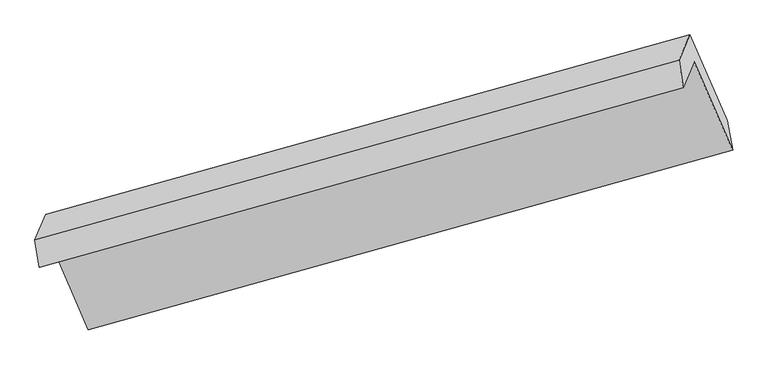
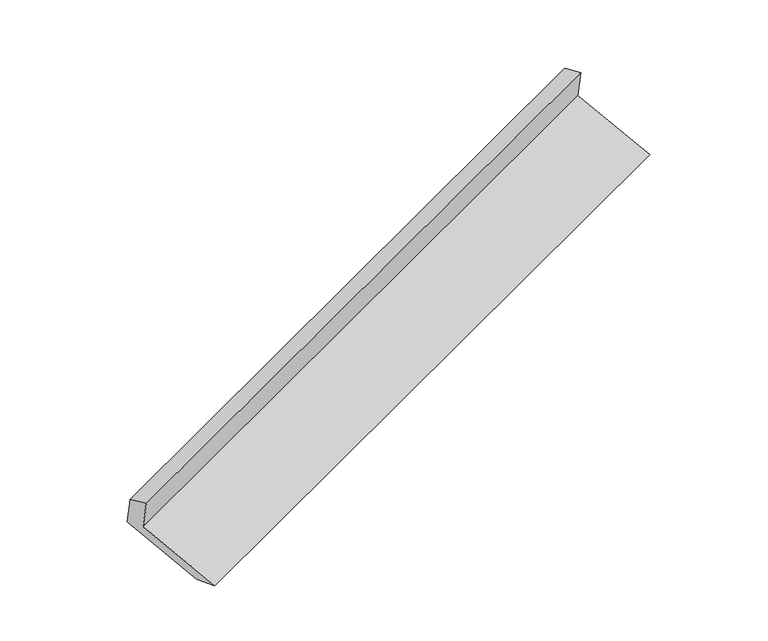
"""IFC4 building model written with IfcOpenShell, lengths in millimetres: proxy geometry."""

import ifcopenshell
import ifcopenshell.guid

model = None  # the IFC model being written
_history = None  # IfcOwnerHistory: only IFC2X3 demands one
_inside = {}  # id of a spatial element -> (the spatial element, [elements in it])
_under = {}  # id of a project, library or spatial element -> (it, [spatial elements below it])
_declared = {}  # id of a project -> (the project, [libraries it declares])
_typed = {}  # id of a type object -> (the type object, [elements of that type])
_made_of = {}  # id of a material, layer set ... -> (it, [elements and type objects made of it])


def new_model(schema):
    """Start an empty IFC model of exactly this schema.

    Asked for "IFC4X3", IfcOpenShell would pick the latest addendum, in which some entities
    have other attributes; the version numbers below select the first issue.
    IFC2X3 requires an IfcOwnerHistory on every rooted entity: one is made here for all.
    """
    global model, _history
    if schema == "IFC4X3":
        model = ifcopenshell.file(schema_version=(4, 3, 0, 0))
    else:
        model = ifcopenshell.file(schema=schema)
    _inside.clear()
    _under.clear()
    _declared.clear()
    _typed.clear()
    _made_of.clear()
    _history = None
    if model.schema == "IFC2X3":
        org = make("IfcOrganization", Name="unknown")
        user = make(
            "IfcPersonAndOrganization",
            ThePerson=make("IfcPerson", FamilyName="unknown"),
            TheOrganization=org,
        )
        app = make(
            "IfcApplication",
            ApplicationDeveloper=org,
            Version="unknown",
            ApplicationFullName="unknown",
            ApplicationIdentifier="unknown",
        )
        _history = make(
            "IfcOwnerHistory",
            OwningUser=user,
            OwningApplication=app,
            ChangeAction="ADDED",
            CreationDate=0,
        )
    return model


def make(cls, **values):
    """One entity of the class cls with the attributes given. An attribute that is None is left unset."""
    return model.create_entity(
        cls, **{name: value for name, value in values.items() if value is not None}
    )


def rooted(cls, **values):
    """An entity with a GlobalId (a new one), such as an element, a storey or a relation."""
    return make(cls, GlobalId=ifcopenshell.guid.new(), OwnerHistory=_history, **values)


def si_unit(unit_type, name, prefix=None):
    """IfcSIUnit, for example si_unit("LENGTHUNIT", "METRE", prefix="MILLI")."""
    return make("IfcSIUnit", UnitType=unit_type, Prefix=prefix, Name=name)


def assignment(units):
    """IfcUnitAssignment: the units of a project."""
    return None if units is None else make("IfcUnitAssignment", Units=units)


def point(xyz):
    """IfcCartesianPoint."""
    return None if xyz is None else make("IfcCartesianPoint", Coordinates=xyz)


def direction(xyz):
    """IfcDirection."""
    return None if xyz is None else make("IfcDirection", DirectionRatios=xyz)


def frame(location, z_axis=None, x_axis=None):
    """IfcAxis2Placement3D, a coordinate frame: its origin and axes. An axis left out is left unset."""
    return make(
        "IfcAxis2Placement3D",
        Location=point(location),
        Axis=direction(z_axis),
        RefDirection=direction(x_axis),
    )


def origin():
    """The frame at (0, 0, 0) with its axes left unset."""
    return frame((0.0, 0.0, 0.0))


def place(relative_to, where):
    """IfcLocalPlacement: puts the frame where relative to a parent placement (None: the world)."""
    return make(
        "IfcLocalPlacement", PlacementRelTo=relative_to, RelativePlacement=where
    )


def context(
    kind, dimensions, precision=None, world=None, true_north=None, identifier=None
):
    """IfcGeometricRepresentationContext, for example the 3D "Model" context."""
    return make(
        "IfcGeometricRepresentationContext",
        ContextIdentifier=identifier,
        ContextType=kind,
        CoordinateSpaceDimension=dimensions,
        Precision=precision,
        WorldCoordinateSystem=world,
        TrueNorth=true_north,
    )


def project(units=None, contexts=None):
    """IfcProject with its units and contexts."""
    return rooted(
        "IfcProject",
        Name="project",
        RepresentationContexts=contexts,
        UnitsInContext=assignment(units),
    )


def spatial(cls, under=None, at=None, **own):
    """A site, building, storey or space (cls), placed at a placement, below another one or the project."""
    s = rooted(cls, ObjectPlacement=at, **own)
    if under is not None:
        _under.setdefault(under.id(), (under, []))[1].append(s)
    return s


def faces_of(points, faces, orient=None, outer=None):
    """IfcFace entities. A face is a list of loops; a loop is a list of indices into points, from 0.

    orient and outer hold one flag for each loop. By default every Orientation is true, the
    first loop of a face is its IfcFaceOuterBound and the others are IfcFaceBound.
    """
    made = []
    for i, loops in enumerate(faces):
        bounds = []
        for j, loop in enumerate(loops):
            is_outer = j == 0 if outer is None else outer[i][j]
            bounds.append(
                make(
                    "IfcFaceOuterBound" if is_outer else "IfcFaceBound",
                    Bound=make("IfcPolyLoop", Polygon=[points[k] for k in loop]),
                    Orientation=True if orient is None else orient[i][j],
                )
            )
        made.append(make("IfcFace", Bounds=bounds))
    return made


def faceted_brep(points, faces, orient=None, outer=None, voids=None):
    """IfcFacetedBrep: a solid bounded by flat faces; with voids (closed shells), ...WithVoids."""
    shared = [point(p) for p in points]
    hull = make("IfcClosedShell", CfsFaces=faces_of(shared, faces, orient, outer))
    if voids is None:
        return make("IfcFacetedBrep", Outer=hull)
    return make(
        "IfcFacetedBrepWithVoids",
        Outer=hull,
        Voids=[
            make(cls, CfsFaces=faces_of(shared, fs, o, b)) for cls, fs, o, b in voids
        ],
    )


def shape(context_of_items, identifier, shape_type, items):
    """IfcShapeRepresentation: the items that make up one representation, for example the "Body"."""
    return make(
        "IfcShapeRepresentation",
        ContextOfItems=context_of_items,
        RepresentationIdentifier=identifier,
        RepresentationType=shape_type,
        Items=items,
    )


def source(mapping_origin, context_of_items, identifier, shape_type, items):
    """IfcRepresentationMap: a shape defined once, which mapped items show again and again."""
    return make(
        "IfcRepresentationMap",
        MappingOrigin=mapping_origin,
        MappedRepresentation=shape(context_of_items, identifier, shape_type, items),
    )


def transform(
    local_origin,
    x_axis=None,
    y_axis=None,
    z_axis=None,
    scale=None,
    scale2=None,
    scale3=None,
    uniform=True,
):
    """IfcCartesianTransformationOperator3D, or its non-uniform kind. x_axis, y_axis, z_axis: its Axis1, 2, 3."""
    if uniform:
        return make(
            "IfcCartesianTransformationOperator3D",
            Axis1=direction(x_axis),
            Axis2=direction(y_axis),
            LocalOrigin=point(local_origin),
            Scale=scale,
            Axis3=direction(z_axis),
        )
    return make(
        "IfcCartesianTransformationOperator3DnonUniform",
        Axis1=direction(x_axis),
        Axis2=direction(y_axis),
        LocalOrigin=point(local_origin),
        Scale=scale,
        Axis3=direction(z_axis),
        Scale2=scale2,
        Scale3=scale3,
    )


def mapped(mapping_source, mapping_target):
    """IfcMappedItem: shows the shape of a source again, moved by a transform."""
    return make(
        "IfcMappedItem", MappingSource=mapping_source, MappingTarget=mapping_target
    )


def made_of(thing, what):
    """Note that an element or type object is made of a material, layer set ...; save() writes the relation."""
    if what is not None:
        _made_of.setdefault(what.id(), (what, []))[1].append(thing)
    return thing


def element(
    cls,
    number,
    at=None,
    inside=None,
    cuts=None,
    type_object=None,
    material=None,
    context=None,
    identifier="Body",
    shape_type=None,
    held_by="IfcProductDefinitionShape",
    body=None,
    shapes=None,
    **own,
):
    """One element of the class cls, such as IfcWall. Its Tag is "e" and its number.

    at: its placement. inside: the storey or other place that contains it. cuts: it is an
    opening in that element (IfcRelVoidsElement). A single representation is given by context,
    identifier, shape_type and body (its items); several are given by shapes. held_by: the class
    of the entity that holds the representations. save() writes the other relations.
    """
    e = rooted(cls, Tag="e%d" % number, ObjectPlacement=at, **own)
    if body is not None:
        shapes = [shape(context, identifier, shape_type, body)]
    if shapes is not None:
        e.Representation = make(held_by, Representations=shapes)
    if inside is not None:
        _inside.setdefault(inside.id(), (inside, []))[1].append(e)
    if cuts is not None:
        rooted(
            "IfcRelVoidsElement", RelatingBuildingElement=cuts, RelatedOpeningElement=e
        )
    if type_object is not None:
        _typed.setdefault(type_object.id(), (type_object, []))[1].append(e)
    return made_of(e, material)


def aggregate(whole, parts):
    """IfcRelAggregates: a whole, such as a stair, and the parts it consists of."""
    return rooted("IfcRelAggregates", RelatingObject=whole, RelatedObjects=parts)


def save(model, path):
    """Write the relations noted so far, then the file.

    IfcRelAggregates (storeys below a building ...), IfcRelContainedInSpatialStructure (elements
    in a storey), IfcRelDefinesByType, IfcRelAssociatesMaterial and IfcRelDeclares: one each for
    every whole, place, type object, material and project.
    """
    for whole, parts in _under.values():
        aggregate(whole, parts)
    for where, things in _inside.values():
        rooted(
            "IfcRelContainedInSpatialStructure",
            RelatedElements=things,
            RelatingStructure=where,
        )
    for kind, things in _typed.values():
        rooted("IfcRelDefinesByType", RelatedObjects=things, RelatingType=kind)
    for what, things in _made_of.values():
        rooted("IfcRelAssociatesMaterial", RelatedObjects=things, RelatingMaterial=what)
    for by, libraries in _declared.values():
        rooted("IfcRelDeclares", RelatingContext=by, RelatedDefinitions=libraries)
    model.write(path)


def generic_models_28df8876(model_context):
    return source(origin(), model_context, "Body", "Brep", [
        faceted_brep([(-5144.921996, -2123.1817459, 1484.9888153), (-5071.0935798, -1947.3629649, 1146.690558), (-742.3600884, -738.70539, 2708.0489734), (-816.1885046, -914.524171, 3046.3472307), (-5172.6812756, -1938.413697, 1418.8662902), (-843.9477843, -729.7561221, 2980.2247056), (-5100.7539838, -1767.1223511, 1089.2794082), (-772.0204924, -558.4647761, 2650.6378236), (-4849.9807014, -2343.4421346, 844.4846279), (-521.24721, -1134.7845596, 2405.8430433), (-4812.8845187, -2540.7714365, 894.63727), (-484.1510273, -1332.1138615, 2455.9956854)], [[[0, 1, 2, 3]], [[4, 0, 3, 5]], [[6, 4, 5, 7]], [[8, 6, 7, 9]], [[10, 8, 9, 11]], [[1, 10, 11, 2]], [[9, 7, 5, 3, 2, 11]], [[1, 0, 4, 6, 8, 10]]]),
    ])


if __name__ == "__main__":
    model = new_model("IFC4")
    model_context = context("Model", 3, world=origin())
    ifc_project = project(units=[si_unit("LENGTHUNIT", "METRE", prefix="MILLI")], contexts=[model_context])
    site = spatial("IfcSite", under=ifc_project)
    building = spatial("IfcBuilding", under=site)
    placement = place(None, origin())
    generic_models_shape = generic_models_28df8876(model_context)
    element("IfcBuildingElementProxy", 1, Name="Generic Models", at=placement, inside=building, context=model_context, shape_type="MappedRepresentation", body=[
        mapped(generic_models_shape, transform((0.0, 0.0, 0.0), x_axis=(1.0, 0.0, 0.0), y_axis=(0.0, 1.0, 0.0), z_axis=(0.0, 0.0, 1.0))),
    ])
    save(model, "model.ifc")
